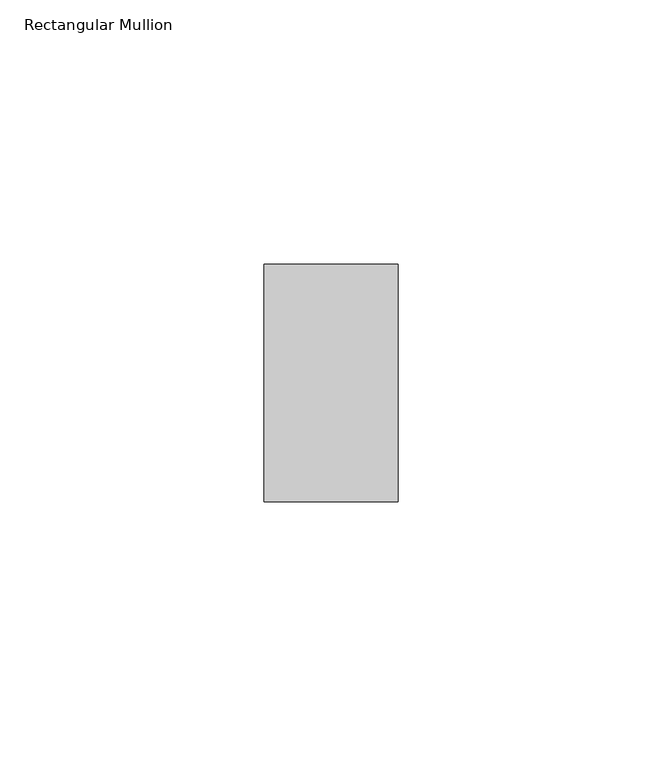
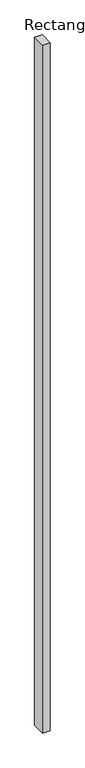
"""IFC4 building model written with IfcOpenShell, lengths in millimetres: member geometry, Rectangular Mullion."""

from ifc_helpers import new_model, si_unit, frame, origin, place, context, project, spatial, polyline, outline, extrude, source, transform, mapped, element, save


def rectangular_mullion_98d643f6(model_context):
    return source(origin(), model_context, "Body", "SweptSolid", [
        extrude(outline(polyline([(0.0, 22.5110276), (0.0, -22.4889724), (-25.41875, -22.4889724), (-25.41875, 22.5110276), (0.0, 22.5110276)])), frame((0.0, 0.0, -2400.0), z_axis=(0.0, 0.0, 1.0), x_axis=(1.0, 0.0, 0.0)), (0.0, 0.0, 1.0), 2400.0),
    ])


if __name__ == "__main__":
    model = new_model("IFC4")
    model_context = context("Model", 3, world=origin())
    ifc_project = project(units=[si_unit("LENGTHUNIT", "METRE", prefix="MILLI")], contexts=[model_context])
    site = spatial("IfcSite", under=ifc_project)
    building = spatial("IfcBuilding", under=site)
    placement = place(None, origin())
    rectangular_mullion_shape = rectangular_mullion_98d643f6(model_context)
    element("IfcMember", 1, ObjectType="Rectangular Mullion", at=placement, inside=building, context=model_context, shape_type="MappedRepresentation", body=[
        mapped(rectangular_mullion_shape, transform((0.0, 0.0, 0.0), x_axis=(1.0, 0.0, 0.0), y_axis=(0.0, 1.0, 0.0), z_axis=(0.0, 0.0, 1.0))),
    ])
    save(model, "model.ifc")
